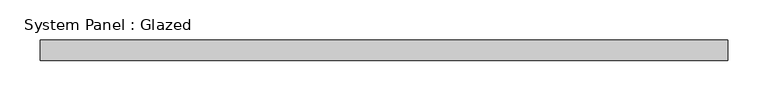
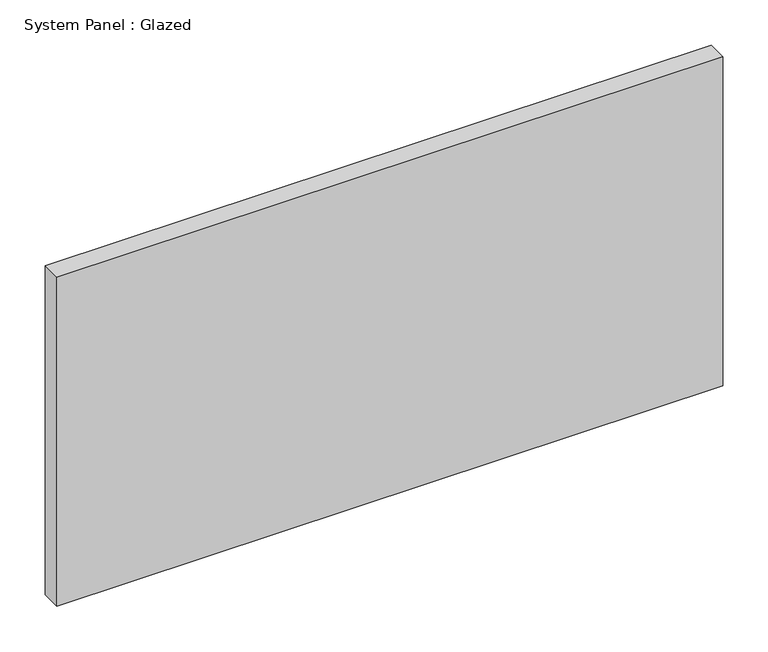
"""IFC4 building model written with IfcOpenShell, lengths in millimetres: plate geometry, System Panel : Glazed."""

import ifcopenshell
import ifcopenshell.guid

model = None  # the IFC model being written
_history = None  # IfcOwnerHistory: only IFC2X3 demands one
_inside = {}  # id of a spatial element -> (the spatial element, [elements in it])
_under = {}  # id of a project, library or spatial element -> (it, [spatial elements below it])
_declared = {}  # id of a project -> (the project, [libraries it declares])
_typed = {}  # id of a type object -> (the type object, [elements of that type])
_made_of = {}  # id of a material, layer set ... -> (it, [elements and type objects made of it])


def new_model(schema):
    """Start an empty IFC model of exactly this schema.

    Asked for "IFC4X3", IfcOpenShell would pick the latest addendum, in which some entities
    have other attributes; the version numbers below select the first issue.
    IFC2X3 requires an IfcOwnerHistory on every rooted entity: one is made here for all.
    """
    global model, _history
    if schema == "IFC4X3":
        model = ifcopenshell.file(schema_version=(4, 3, 0, 0))
    else:
        model = ifcopenshell.file(schema=schema)
    _inside.clear()
    _under.clear()
    _declared.clear()
    _typed.clear()
    _made_of.clear()
    _history = None
    if model.schema == "IFC2X3":
        org = make("IfcOrganization", Name="unknown")
        user = make(
            "IfcPersonAndOrganization",
            ThePerson=make("IfcPerson", FamilyName="unknown"),
            TheOrganization=org,
        )
        app = make(
            "IfcApplication",
            ApplicationDeveloper=org,
            Version="unknown",
            ApplicationFullName="unknown",
            ApplicationIdentifier="unknown",
        )
        _history = make(
            "IfcOwnerHistory",
            OwningUser=user,
            OwningApplication=app,
            ChangeAction="ADDED",
            CreationDate=0,
        )
    return model


def make(cls, **values):
    """One entity of the class cls with the attributes given. An attribute that is None is left unset."""
    return model.create_entity(
        cls, **{name: value for name, value in values.items() if value is not None}
    )


def rooted(cls, **values):
    """An entity with a GlobalId (a new one), such as an element, a storey or a relation."""
    return make(cls, GlobalId=ifcopenshell.guid.new(), OwnerHistory=_history, **values)


def si_unit(unit_type, name, prefix=None):
    """IfcSIUnit, for example si_unit("LENGTHUNIT", "METRE", prefix="MILLI")."""
    return make("IfcSIUnit", UnitType=unit_type, Prefix=prefix, Name=name)


def assignment(units):
    """IfcUnitAssignment: the units of a project."""
    return None if units is None else make("IfcUnitAssignment", Units=units)


def point(xyz):
    """IfcCartesianPoint."""
    return None if xyz is None else make("IfcCartesianPoint", Coordinates=xyz)


def direction(xyz):
    """IfcDirection."""
    return None if xyz is None else make("IfcDirection", DirectionRatios=xyz)


def frame(location, z_axis=None, x_axis=None):
    """IfcAxis2Placement3D, a coordinate frame: its origin and axes. An axis left out is left unset."""
    return make(
        "IfcAxis2Placement3D",
        Location=point(location),
        Axis=direction(z_axis),
        RefDirection=direction(x_axis),
    )


def origin():
    """The frame at (0, 0, 0) with its axes left unset."""
    return frame((0.0, 0.0, 0.0))


def origin_with_axes():
    """The frame at (0, 0, 0) with the z axis (0, 0, 1) and the x axis (1, 0, 0) written out."""
    return frame((0.0, 0.0, 0.0), z_axis=(0.0, 0.0, 1.0), x_axis=(1.0, 0.0, 0.0))


def place(relative_to, where):
    """IfcLocalPlacement: puts the frame where relative to a parent placement (None: the world)."""
    return make(
        "IfcLocalPlacement", PlacementRelTo=relative_to, RelativePlacement=where
    )


def context(
    kind, dimensions, precision=None, world=None, true_north=None, identifier=None
):
    """IfcGeometricRepresentationContext, for example the 3D "Model" context."""
    return make(
        "IfcGeometricRepresentationContext",
        ContextIdentifier=identifier,
        ContextType=kind,
        CoordinateSpaceDimension=dimensions,
        Precision=precision,
        WorldCoordinateSystem=world,
        TrueNorth=true_north,
    )


def project(units=None, contexts=None):
    """IfcProject with its units and contexts."""
    return rooted(
        "IfcProject",
        Name="project",
        RepresentationContexts=contexts,
        UnitsInContext=assignment(units),
    )


def spatial(cls, under=None, at=None, **own):
    """A site, building, storey or space (cls), placed at a placement, below another one or the project."""
    s = rooted(cls, ObjectPlacement=at, **own)
    if under is not None:
        _under.setdefault(under.id(), (under, []))[1].append(s)
    return s


def polyline(points):
    """IfcPolyline through the points."""
    return make("IfcPolyline", Points=[point(p) for p in points])


def outline(outer, holes=None, kind="AREA"):
    """IfcArbitraryClosedProfileDef: a profile drawn as a closed curve; with holes, ...WithVoids."""
    if holes is None:
        return make("IfcArbitraryClosedProfileDef", ProfileType=kind, OuterCurve=outer)
    return make(
        "IfcArbitraryProfileDefWithVoids",
        ProfileType=kind,
        OuterCurve=outer,
        InnerCurves=holes,
    )


def extrude(swept, where, along, depth):
    """IfcExtrudedAreaSolid: the profile swept, set in the frame where, extruded along a direction by depth."""
    return make(
        "IfcExtrudedAreaSolid",
        SweptArea=swept,
        Position=where,
        ExtrudedDirection=direction(along),
        Depth=depth,
    )


def shape(context_of_items, identifier, shape_type, items):
    """IfcShapeRepresentation: the items that make up one representation, for example the "Body"."""
    return make(
        "IfcShapeRepresentation",
        ContextOfItems=context_of_items,
        RepresentationIdentifier=identifier,
        RepresentationType=shape_type,
        Items=items,
    )


def source(mapping_origin, context_of_items, identifier, shape_type, items):
    """IfcRepresentationMap: a shape defined once, which mapped items show again and again."""
    return make(
        "IfcRepresentationMap",
        MappingOrigin=mapping_origin,
        MappedRepresentation=shape(context_of_items, identifier, shape_type, items),
    )


def transform(
    local_origin,
    x_axis=None,
    y_axis=None,
    z_axis=None,
    scale=None,
    scale2=None,
    scale3=None,
    uniform=True,
):
    """IfcCartesianTransformationOperator3D, or its non-uniform kind. x_axis, y_axis, z_axis: its Axis1, 2, 3."""
    if uniform:
        return make(
            "IfcCartesianTransformationOperator3D",
            Axis1=direction(x_axis),
            Axis2=direction(y_axis),
            LocalOrigin=point(local_origin),
            Scale=scale,
            Axis3=direction(z_axis),
        )
    return make(
        "IfcCartesianTransformationOperator3DnonUniform",
        Axis1=direction(x_axis),
        Axis2=direction(y_axis),
        LocalOrigin=point(local_origin),
        Scale=scale,
        Axis3=direction(z_axis),
        Scale2=scale2,
        Scale3=scale3,
    )


def mapped(mapping_source, mapping_target):
    """IfcMappedItem: shows the shape of a source again, moved by a transform."""
    return make(
        "IfcMappedItem", MappingSource=mapping_source, MappingTarget=mapping_target
    )


def made_of(thing, what):
    """Note that an element or type object is made of a material, layer set ...; save() writes the relation."""
    if what is not None:
        _made_of.setdefault(what.id(), (what, []))[1].append(thing)
    return thing


def element(
    cls,
    number,
    at=None,
    inside=None,
    cuts=None,
    type_object=None,
    material=None,
    context=None,
    identifier="Body",
    shape_type=None,
    held_by="IfcProductDefinitionShape",
    body=None,
    shapes=None,
    **own,
):
    """One element of the class cls, such as IfcWall. Its Tag is "e" and its number.

    at: its placement. inside: the storey or other place that contains it. cuts: it is an
    opening in that element (IfcRelVoidsElement). A single representation is given by context,
    identifier, shape_type and body (its items); several are given by shapes. held_by: the class
    of the entity that holds the representations. save() writes the other relations.
    """
    e = rooted(cls, Tag="e%d" % number, ObjectPlacement=at, **own)
    if body is not None:
        shapes = [shape(context, identifier, shape_type, body)]
    if shapes is not None:
        e.Representation = make(held_by, Representations=shapes)
    if inside is not None:
        _inside.setdefault(inside.id(), (inside, []))[1].append(e)
    if cuts is not None:
        rooted(
            "IfcRelVoidsElement", RelatingBuildingElement=cuts, RelatedOpeningElement=e
        )
    if type_object is not None:
        _typed.setdefault(type_object.id(), (type_object, []))[1].append(e)
    return made_of(e, material)


def aggregate(whole, parts):
    """IfcRelAggregates: a whole, such as a stair, and the parts it consists of."""
    return rooted("IfcRelAggregates", RelatingObject=whole, RelatedObjects=parts)


def save(model, path):
    """Write the relations noted so far, then the file.

    IfcRelAggregates (storeys below a building ...), IfcRelContainedInSpatialStructure (elements
    in a storey), IfcRelDefinesByType, IfcRelAssociatesMaterial and IfcRelDeclares: one each for
    every whole, place, type object, material and project.
    """
    for whole, parts in _under.values():
        aggregate(whole, parts)
    for where, things in _inside.values():
        rooted(
            "IfcRelContainedInSpatialStructure",
            RelatedElements=things,
            RelatingStructure=where,
        )
    for kind, things in _typed.values():
        rooted("IfcRelDefinesByType", RelatedObjects=things, RelatingType=kind)
    for what, things in _made_of.values():
        rooted("IfcRelAssociatesMaterial", RelatedObjects=things, RelatingMaterial=what)
    for by, libraries in _declared.values():
        rooted("IfcRelDeclares", RelatingContext=by, RelatedDefinitions=libraries)
    model.write(path)


def system_panel_glazed_ea82c248(model_context):
    return source(origin(), model_context, "Body", "SweptSolid", [
        extrude(outline(polyline([(425.45, 19.05), (-425.45, 19.05), (-425.45, 44.45), (425.45, 44.45), (425.45, 19.05)])), origin_with_axes(), (0.0, 0.0, 1.0), 444.5),
    ])


if __name__ == "__main__":
    model = new_model("IFC4")
    model_context = context("Model", 3, world=origin())
    ifc_project = project(units=[si_unit("LENGTHUNIT", "METRE", prefix="MILLI")], contexts=[model_context])
    site = spatial("IfcSite", under=ifc_project)
    building = spatial("IfcBuilding", under=site)
    placement = place(None, origin())
    system_panel_glazed_shape = system_panel_glazed_ea82c248(model_context)
    element("IfcPlate", 1, ObjectType="System Panel : Glazed", at=placement, inside=building, context=model_context, shape_type="MappedRepresentation", body=[
        mapped(system_panel_glazed_shape, transform((0.0, 0.0, 0.0), x_axis=(1.0, 0.0, 0.0), y_axis=(0.0, 1.0, 0.0), z_axis=(0.0, 0.0, 1.0))),
    ])
    save(model, "model.ifc")
